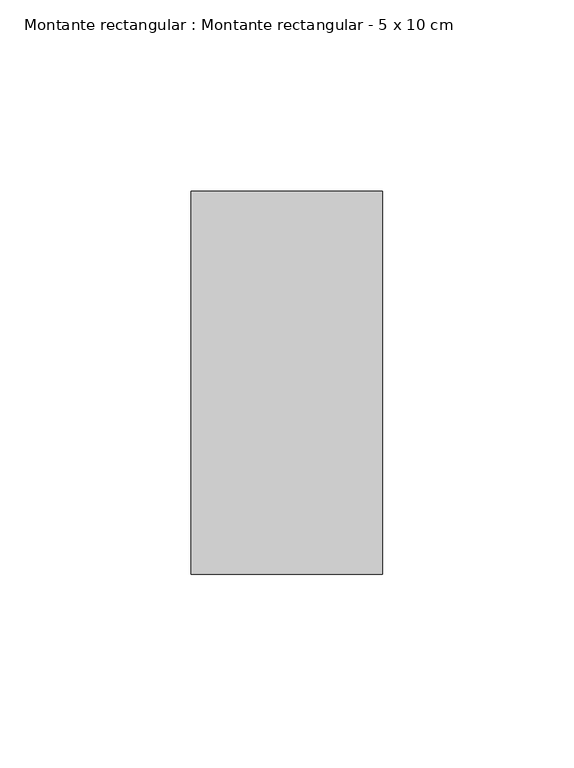
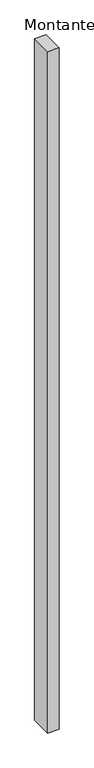
"""IFC4 building model written with IfcOpenShell, lengths in millimetres: member geometry, Montante rectangular : Montante rectangular - 5 x 10 cm."""

from ifc_helpers import new_model, si_unit, frame, origin, place, context, project, spatial, polyline, outline, extrude, source, transform, mapped, element, save


def montante_rectangular_montante_rectangular_5_x_10_cm_36a8d2fe(model_context):
    return source(origin(), model_context, "Body", "SweptSolid", [
        extrude(outline(polyline([(0.0, 50.0), (0.0, -50.0), (-50.0, -50.0), (-50.0, 50.0), (0.0, 50.0)])), frame((0.0, 0.0, -3184.4605453), z_axis=(0.0, 0.0, 1.0), x_axis=(1.0, 0.0, 0.0)), (0.0, 0.0, 1.0), 3184.4605453),
    ])


if __name__ == "__main__":
    model = new_model("IFC4")
    model_context = context("Model", 3, world=origin())
    ifc_project = project(units=[si_unit("LENGTHUNIT", "METRE", prefix="MILLI")], contexts=[model_context])
    site = spatial("IfcSite", under=ifc_project)
    building = spatial("IfcBuilding", under=site)
    placement = place(None, origin())
    montante_rectangular_montante_rectangular_5_x_10_cm_shape = montante_rectangular_montante_rectangular_5_x_10_cm_36a8d2fe(model_context)
    element("IfcMember", 1, ObjectType="Montante rectangular : Montante rectangular - 5 x 10 cm", at=placement, inside=building, context=model_context, shape_type="MappedRepresentation", body=[
        mapped(montante_rectangular_montante_rectangular_5_x_10_cm_shape, transform((0.0, 0.0, 0.0), x_axis=(1.0, 0.0, 0.0), y_axis=(0.0, 1.0, 0.0), z_axis=(0.0, 0.0, 1.0))),
    ])
    save(model, "model.ifc")
